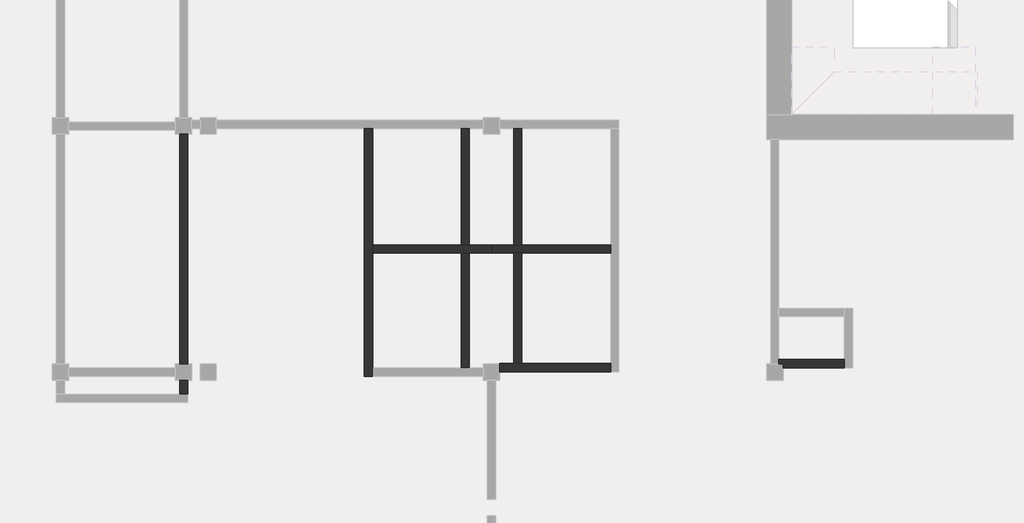
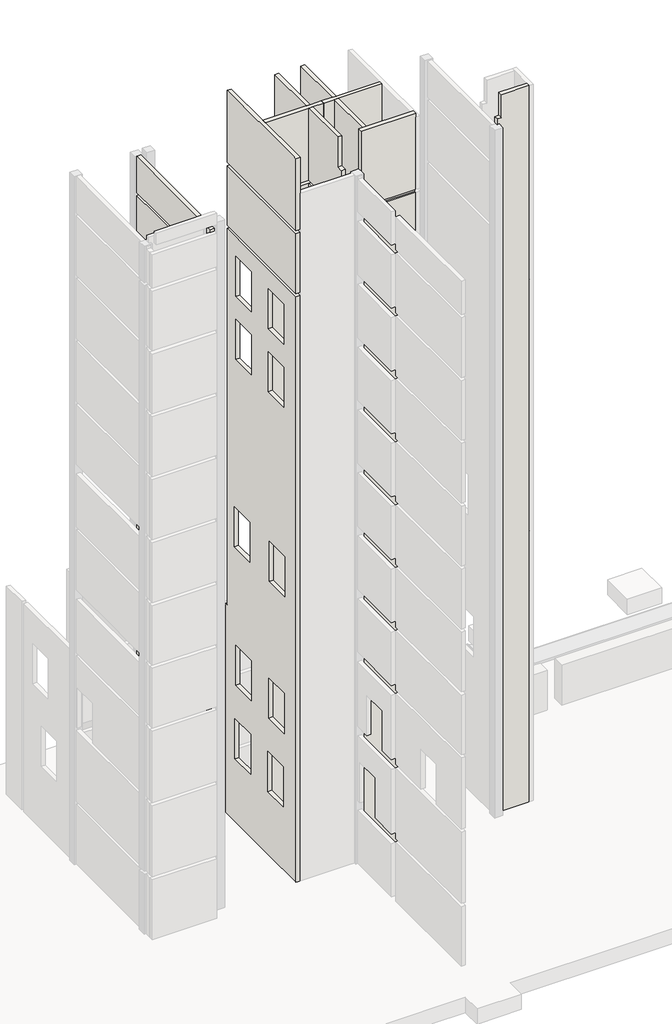
# One storey, part 3 of 9: 8 walls.
"""IFC4 building model written with IfcOpenShell, lengths in millimetres."""

from ifc_helpers import new_model, si_unit, origin, place, context, project, spatial, faceted_brep, element, save

model = new_model("IFC4")

# Units and contexts
model_context = context("Model", 3, world=origin())
ifc_project = project(units=[si_unit("LENGTHUNIT", "METRE", prefix="MILLI")], contexts=[model_context])

# Site, building, storey
site = spatial("IfcSite", under=ifc_project)
building = spatial("IfcBuilding", under=site)
storey = spatial("IfcBuildingStorey", under=building, Elevation=-3300.0)

# Walls
placement = place(None, origin())
element("IfcWall", 1, at=placement, inside=storey, context=model_context, shape_type="Brep", body=[
    faceted_brep([(610.0112841, 393.1079487, 27600.0), (610.0112841, 393.1079487, 30740.0), (610.0112841, -5206.8920513, 30740.0), (610.0112841, -5206.8920513, 27600.0), (410.0112841, 393.1079487, 27600.0), (410.0112841, -1106.8920513, 27600.0), (410.0112841, -5206.8920513, 27600.0), (410.0112841, -5206.8920513, 30740.0), (410.0112841, -1106.8920513, 30740.0), (410.0112841, 393.1079487, 30740.0), (510.0112841, 393.1079487, 30740.0)], [[[0, 1, 2, 3]], [[4, 5, 6, 7, 8, 9]], [[0, 4, 9, 10, 1]], [[5, 4, 0, 3, 6]], [[9, 8, 7, 2, 1, 10]], [[3, 2, 7, 6]]]),
    faceted_brep([(610.0112841, 393.1079487, 30900.0), (610.0112841, 393.1079487, 32800.0), (610.0112841, -5206.8920513, 32800.0), (610.0112841, -5206.8920513, 30900.0), (410.0112841, 393.1079487, 32800.0), (410.0112841, 393.1079487, 30900.0), (410.0112841, -1106.8920513, 30900.0), (410.0112841, -5206.8920513, 30900.0), (410.0112841, -5206.8920513, 32800.0)], [[[0, 1, 2, 3]], [[4, 5, 6, 7, 8]], [[1, 4, 8, 2]], [[4, 1, 0, 5]], [[6, 5, 0, 3, 7]], [[3, 2, 8, 7]]]),
    faceted_brep([(610.0112841, 393.1079487, 24300.0), (610.0112841, 393.1079487, 27440.0), (610.0112841, -5206.8920513, 27440.0), (610.0112841, -5206.8920513, 24300.0), (410.0112841, -1106.8920513, 27440.0), (410.0112841, 393.1079487, 27440.0), (410.0112841, 393.1079487, 24300.0), (410.0112841, -1106.8920513, 24300.0), (410.0112841, -5206.8920513, 24300.0), (410.0112841, -5206.8920513, 27440.0), (510.0112841, 393.1079487, 27440.0)], [[[0, 1, 2, 3]], [[4, 5, 6, 7, 8, 9]], [[5, 10, 1, 0, 6]], [[5, 4, 9, 2, 1, 10]], [[7, 6, 0, 3, 8]], [[3, 2, 9, 8]]]),
    faceted_brep([(610.0112841, 393.1079487, -3300.0), (610.0112841, 393.1079487, 20840.0), (610.0112841, -5206.8920513, 20840.0), (610.0112841, -5206.8920513, -3300.0), (610.0112841, 293.1079487, 11100.0), (610.0112841, -1006.8920513, 11100.0), (610.0112841, -1006.8920513, 13200.0), (610.0112841, 293.1079487, 13200.0), (610.0112841, 293.1079487, 3900.0), (610.0112841, -1006.8920513, 3900.0), (610.0112841, -1006.8920513, 6000.0), (610.0112841, 293.1079487, 6000.0), (610.0112841, 293.1079487, 0.0), (610.0112841, -1006.8920513, 0.0), (610.0112841, -1006.8920513, 2100.0), (610.0112841, 293.1079487, 2100.0), (410.0112841, 393.1079487, 20840.0), (410.0112841, 393.1079487, -3300.0), (410.0112841, -5206.8920513, -3300.0), (410.0112841, -5206.8920513, 20840.0), (410.0112841, -1106.8920513, 20840.0), (410.0112841, -1006.8920513, 11100.0), (410.0112841, 293.1079487, 11100.0), (410.0112841, 293.1079487, 13200.0), (410.0112841, -1006.8920513, 13200.0), (410.0112841, -1006.8920513, 3900.0), (410.0112841, 293.1079487, 3900.0), (410.0112841, 293.1079487, 6000.0), (410.0112841, -1006.8920513, 6000.0), (410.0112841, -1006.8920513, 0.0), (410.0112841, 293.1079487, 0.0), (410.0112841, 293.1079487, 2100.0), (410.0112841, -1006.8920513, 2100.0), (510.0112841, 393.1079487, 20840.0)], [[[0, 1, 2, 3], [4, 5, 6, 7], [8, 9, 10, 11], [12, 13, 14, 15]], [[16, 17, 18, 19, 20], [21, 22, 23, 24], [25, 26, 27, 28], [29, 30, 31, 32]], [[17, 0, 3, 18]], [[0, 17, 16, 33, 1]], [[5, 4, 22, 21]], [[6, 5, 21, 24]], [[7, 6, 24, 23]], [[4, 7, 23, 22]], [[26, 25, 9, 8]], [[27, 26, 8, 11]], [[28, 27, 11, 10]], [[25, 28, 10, 9]], [[30, 29, 13, 12]], [[31, 30, 12, 15]], [[32, 31, 15, 14]], [[29, 32, 14, 13]], [[16, 20, 19, 2, 1, 33]], [[3, 2, 19, 18]]]),
    faceted_brep([(610.0112841, 393.1079487, 21000.0), (610.0112841, 393.1079487, 24140.0), (610.0112841, -5206.8920513, 24140.0), (610.0112841, -5206.8920513, 21000.0), (410.0112841, -1106.8920513, 24140.0), (410.0112841, 393.1079487, 24140.0), (410.0112841, 393.1079487, 21000.0), (410.0112841, -1106.8920513, 21000.0), (410.0112841, -5206.8920513, 21000.0), (410.0112841, -5206.8920513, 24140.0), (510.0112841, 393.1079487, 24140.0)], [[[0, 1, 2, 3]], [[4, 5, 6, 7, 8, 9]], [[5, 10, 1, 0, 6]], [[5, 4, 9, 2, 1, 10]], [[7, 6, 0, 3, 8]], [[3, 2, 9, 8]]]),
    faceted_brep([(610.0112841, -5946.8920513, 32800.0), (610.0112841, -5946.8920513, 30900.0), (610.0112841, -5606.8920513, 30900.0), (610.0112841, -5606.8920513, 32800.0), (410.0112841, -5946.8920513, 30900.0), (410.0112841, -5946.8920513, 32800.0), (410.0112841, -5606.8920513, 32800.0), (410.0112841, -5606.8920513, 30900.0)], [[[0, 1, 2, 3]], [[4, 5, 6, 7]], [[5, 0, 3, 6]], [[1, 4, 7, 2]], [[0, 5, 4, 1]], [[3, 2, 7, 6]]]),
    faceted_brep([(610.0112841, -5946.8920513, 20840.0), (610.0112841, -5946.8920513, 17700.0), (610.0112841, -5946.8920513, 17540.0), (610.0112841, -5946.8920513, 14400.0), (610.0112841, -5946.8920513, 14240.0), (610.0112841, -5946.8920513, 11100.0), (610.0112841, -5946.8920513, 10940.0), (610.0112841, -5946.8920513, 7800.0), (610.0112841, -5946.8920513, 7640.0), (610.0112841, -5946.8920513, 3900.0), (610.0112841, -5946.8920513, 3740.0), (610.0112841, -5946.8920513, 0.0), (610.0112841, -5946.8920513, -160.0), (610.0112841, -5946.8920513, -3300.0), (610.0112841, -5606.8920513, -3300.0), (610.0112841, -5606.8920513, 20840.0), (410.0112841, -5946.8920513, -3300.0), (410.0112841, -5946.8920513, 20840.0), (410.0112841, -5606.8920513, 20840.0), (410.0112841, -5606.8920513, -3300.0)], [[[0, 1, 2, 3, 4, 5, 6, 7, 8, 9, 10, 11, 12, 13, 14, 15]], [[16, 17, 18, 19]], [[13, 16, 19, 14]], [[17, 0, 15, 18]], [[16, 13, 12, 11, 10, 9, 8, 7, 6, 5, 4, 3, 2, 1, 0, 17]], [[15, 14, 19, 18]]]),
    faceted_brep([(610.0112841, -5946.8920513, 27440.0), (610.0112841, -5946.8920513, 24300.0), (610.0112841, -5606.8920513, 24300.0), (610.0112841, -5606.8920513, 27440.0), (410.0112841, -5946.8920513, 24300.0), (410.0112841, -5946.8920513, 27440.0), (410.0112841, -5606.8920513, 27440.0), (410.0112841, -5606.8920513, 24300.0)], [[[0, 1, 2, 3]], [[4, 5, 6, 7]], [[5, 0, 3, 6]], [[1, 4, 7, 2]], [[0, 5, 4, 1]], [[3, 2, 7, 6]]]),
    faceted_brep([(610.0112841, -5946.8920513, 30740.0), (610.0112841, -5946.8920513, 27600.0), (610.0112841, -5606.8920513, 27600.0), (610.0112841, -5606.8920513, 30740.0), (410.0112841, -5946.8920513, 27600.0), (410.0112841, -5946.8920513, 30740.0), (410.0112841, -5606.8920513, 30740.0), (410.0112841, -5606.8920513, 27600.0)], [[[0, 1, 2, 3]], [[4, 5, 6, 7]], [[1, 4, 7, 2]], [[5, 0, 3, 6]], [[4, 1, 0, 5]], [[3, 2, 7, 6]]]),
    faceted_brep([(610.0112841, -5946.8920513, 24140.0), (610.0112841, -5946.8920513, 21000.0), (610.0112841, -5606.8920513, 21000.0), (610.0112841, -5606.8920513, 24140.0), (410.0112841, -5946.8920513, 21000.0), (410.0112841, -5946.8920513, 24140.0), (410.0112841, -5606.8920513, 24140.0), (410.0112841, -5606.8920513, 21000.0)], [[[0, 1, 2, 3]], [[4, 5, 6, 7]], [[5, 0, 3, 6]], [[1, 4, 7, 2]], [[0, 5, 4, 1]], [[3, 2, 7, 6]]]),
])
element("IfcWall", 2, at=placement, inside=storey, context=model_context, shape_type="Brep", body=[
    faceted_brep([(5110.0112841, -5506.8920513, -3300.0), (5110.0112841, -5306.8920513, -3300.0), (5110.0112841, -2506.8920513, -3300.0), (5110.0112841, -2306.8920513, -3300.0), (5110.0112841, 533.1079487, -3300.0), (5110.0112841, 533.1079487, 7689.8077786), (5110.0112841, 393.1079487, 7689.8077786), (5110.0112841, 393.1079487, 27440.0), (5110.0112841, 393.1079487, 27600.0), (5110.0112841, 393.1079487, 30740.0), (5110.0112841, 393.1079487, 30900.0), (5110.0112841, 393.1079487, 34680.0), (5110.0112841, -2306.8920513, 34680.0), (5110.0112841, -2506.8920513, 34680.0), (5110.0112841, -4996.8920513, 34680.0), (5110.0112841, -5506.8920513, 34680.0), (5110.0112841, -5506.8920513, 33100.0), (5110.0112841, -5506.8920513, 32800.0), (5110.0112841, -5506.8920513, 30900.0), (5110.0112841, -5306.8920513, 30900.0), (5110.0112841, -5306.8920513, 30740.0), (5110.0112841, -5506.8920513, 30740.0), (5110.0112841, -5506.8920513, 27600.0), (5110.0112841, -5306.8920513, 27600.0), (5110.0112841, -5306.8920513, 27440.0), (5110.0112841, -5506.8920513, 27440.0), (5110.0112841, -1551.6820699, 13200.0), (5110.0112841, -211.6785041, 13200.0), (5110.0112841, -211.6785041, 11100.0), (5110.0112841, -1551.6820699, 11100.0), (5110.0112841, -4551.6820699, 13200.0), (5110.0112841, -3211.6785041, 13200.0), (5110.0112841, -3211.6785041, 11100.0), (5110.0112841, -4551.6820699, 11100.0), (5110.0112841, -1656.6820699, 23100.0), (5110.0112841, -316.6785041, 23100.0), (5110.0112841, -316.6785041, 21000.0), (5110.0112841, -1656.6820699, 21000.0), (5110.0112841, -4446.6820699, 23100.0), (5110.0112841, -3106.6785041, 23100.0), (5110.0112841, -3106.6785041, 21000.0), (5110.0112841, -4446.6820699, 21000.0), (5110.0112841, -1656.6820699, 6000.0), (5110.0112841, -316.6785041, 6000.0), (5110.0112841, -316.6785041, 3900.0), (5110.0112841, -1656.6820699, 3900.0), (5110.0112841, -4497.1055986, 6000.0), (5110.0112841, -3157.1020328, 6000.0), (5110.0112841, -3157.1020328, 3900.0), (5110.0112841, -4497.1055986, 3900.0), (5110.0112841, -1656.6820699, 26400.0), (5110.0112841, -316.6785041, 26400.0), (5110.0112841, -316.6785041, 24300.0), (5110.0112841, -1656.6820699, 24300.0), (5110.0112841, -4446.6820699, 26400.0), (5110.0112841, -3106.6785041, 26400.0), (5110.0112841, -3106.6785041, 24300.0), (5110.0112841, -4446.6820699, 24300.0), (5110.0112841, -1601.6820699, 2100.0), (5110.0112841, -261.6785041, 2100.0), (5110.0112841, -261.6785041, 0.0), (5110.0112841, -1601.6820699, 0.0), (5110.0112841, -4424.1820699, 2100.0), (5110.0112841, -3084.1785041, 2100.0), (5110.0112841, -3084.1785041, 0.0), (5110.0112841, -4424.1820699, 0.0), (5110.0112841, -2306.8920513, 30740.0), (5110.0112841, -2506.8920513, 30740.0), (5110.0112841, -2506.8920513, 30900.0), (5110.0112841, -2306.8920513, 30900.0), (5110.0112841, -2306.8920513, 27440.0), (5110.0112841, -2506.8920513, 27440.0), (5110.0112841, -2506.8920513, 27600.0), (5110.0112841, -2306.8920513, 27600.0), (4910.0112841, 533.1079487, -3300.0), (4910.0112841, -5506.8920513, -3300.0), (4910.0112841, -5506.8920513, 27440.0), (4910.0112841, 393.1079487, 27440.0), (4910.0112841, 393.1079487, 7689.8077786), (4910.0112841, 533.1079487, 7689.8077786), (4910.0112841, -211.6785041, 13200.0), (4910.0112841, -1551.6820699, 13200.0), (4910.0112841, -1551.6820699, 11100.0), (4910.0112841, -211.6785041, 11100.0), (4910.0112841, -3211.6785041, 13200.0), (4910.0112841, -4551.6820699, 13200.0), (4910.0112841, -4551.6820699, 11100.0), (4910.0112841, -3211.6785041, 11100.0), (4910.0112841, -316.6785041, 23100.0), (4910.0112841, -1656.6820699, 23100.0), (4910.0112841, -1656.6820699, 21000.0), (4910.0112841, -316.6785041, 21000.0), (4910.0112841, -3106.6785041, 23100.0), (4910.0112841, -4446.6820699, 23100.0), (4910.0112841, -4446.6820699, 21000.0), (4910.0112841, -3106.6785041, 21000.0), (4910.0112841, -316.6785041, 6000.0), (4910.0112841, -1656.6820699, 6000.0), (4910.0112841, -1656.6820699, 3900.0), (4910.0112841, -316.6785041, 3900.0), (4910.0112841, -3157.1020328, 6000.0), (4910.0112841, -4497.1055986, 6000.0), (4910.0112841, -4497.1055986, 3900.0), (4910.0112841, -3157.1020328, 3900.0), (4910.0112841, -316.6785041, 26400.0), (4910.0112841, -1656.6820699, 26400.0), (4910.0112841, -1656.6820699, 24300.0), (4910.0112841, -316.6785041, 24300.0), (4910.0112841, -3106.6785041, 26400.0), (4910.0112841, -4446.6820699, 26400.0), (4910.0112841, -4446.6820699, 24300.0), (4910.0112841, -3106.6785041, 24300.0), (4910.0112841, -261.6785041, 2100.0), (4910.0112841, -1601.6820699, 2100.0), (4910.0112841, -1601.6820699, 0.0), (4910.0112841, -261.6785041, 0.0), (4910.0112841, -3084.1785041, 2100.0), (4910.0112841, -4424.1820699, 2100.0), (4910.0112841, -4424.1820699, 0.0), (4910.0112841, -3084.1785041, 0.0), (4910.0112841, -5506.8920513, 30740.0), (4910.0112841, 393.1079487, 30740.0), (4910.0112841, 393.1079487, 27600.0), (4910.0112841, -5506.8920513, 27600.0), (4910.0112841, -5506.8920513, 34680.0), (4910.0112841, -5251.8920513, 34680.0), (4910.0112841, -4996.8920513, 34680.0), (4910.0112841, 393.1079487, 34680.0), (4910.0112841, 393.1079487, 30900.0), (4910.0112841, -5506.8920513, 30900.0), (4910.0112841, -5506.8920513, 33100.0), (5106.2824705, -5306.8920513, 30740.0), (5106.2824705, -2506.8920513, 30740.0), (5106.2824705, -2306.8920513, 30740.0), (5106.2824705, 393.1079487, 30740.0), (5106.2824705, -2506.8920513, 30900.0), (5106.2824705, -5306.8920513, 30900.0), (5106.2824705, 393.1079487, 30900.0), (5106.2824705, -2306.8920513, 30900.0), (5106.2824705, -5306.8920513, 27440.0), (5106.2824705, -2506.8920513, 27440.0), (5106.2824705, -2306.8920513, 27440.0), (5106.2824705, 393.1079487, 27440.0), (5106.2824705, -2506.8920513, 27600.0), (5106.2824705, -5306.8920513, 27600.0), (5106.2824705, 393.1079487, 27600.0), (5106.2824705, -2306.8920513, 27600.0)], [[[0, 1, 2, 3, 4, 5, 6, 7, 8, 9, 10, 11, 12, 13, 14, 15, 16, 17, 18, 19, 20, 21, 22, 23, 24, 25], [26, 27, 28, 29], [30, 31, 32, 33], [34, 35, 36, 37], [38, 39, 40, 41], [42, 43, 44, 45], [46, 47, 48, 49], [50, 51, 52, 53], [54, 55, 56, 57], [58, 59, 60, 61], [62, 63, 64, 65], [66, 67, 68, 69], [70, 71, 72, 73]], [[74, 75, 76, 77, 78, 79], [80, 81, 82, 83], [84, 85, 86, 87], [88, 89, 90, 91], [92, 93, 94, 95], [96, 97, 98, 99], [100, 101, 102, 103], [104, 105, 106, 107], [108, 109, 110, 111], [112, 113, 114, 115], [116, 117, 118, 119]], [[120, 121, 122, 123]], [[124, 125, 126, 127, 128, 129, 130]], [[4, 3, 2, 1, 0, 75, 74]], [[15, 14, 13, 12, 11, 127, 126, 125, 124]], [[27, 26, 81, 80]], [[28, 27, 80, 83]], [[29, 28, 83, 82]], [[26, 29, 82, 81]], [[31, 30, 85, 84]], [[32, 31, 84, 87]], [[33, 32, 87, 86]], [[30, 33, 86, 85]], [[6, 5, 79, 78]], [[4, 74, 79, 5]], [[35, 34, 89, 88]], [[36, 35, 88, 91]], [[37, 36, 91, 90]], [[34, 37, 90, 89]], [[39, 38, 93, 92]], [[40, 39, 92, 95]], [[41, 40, 95, 94]], [[38, 41, 94, 93]], [[43, 42, 97, 96]], [[44, 43, 96, 99]], [[45, 44, 99, 98]], [[42, 45, 98, 97]], [[101, 100, 47, 46]], [[102, 101, 46, 49]], [[103, 102, 49, 48]], [[100, 103, 48, 47]], [[51, 50, 105, 104]], [[52, 51, 104, 107]], [[53, 52, 107, 106]], [[50, 53, 106, 105]], [[55, 54, 109, 108]], [[56, 55, 108, 111]], [[57, 56, 111, 110]], [[54, 57, 110, 109]], [[59, 58, 113, 112]], [[60, 59, 112, 115]], [[61, 60, 115, 114]], [[58, 61, 114, 113]], [[63, 62, 117, 116]], [[64, 63, 116, 119]], [[65, 64, 119, 118]], [[62, 65, 118, 117]], [[75, 0, 25, 76]], [[21, 120, 123, 22]], [[15, 124, 130, 129, 18, 17, 16]], [[131, 132, 67, 66, 133, 134, 121, 120, 21, 20]], [[135, 136, 19, 18, 129, 128, 137, 138, 69, 68]], [[132, 135, 68, 67]], [[136, 131, 20, 19]], [[138, 133, 66, 69]], [[132, 131, 136, 135]], [[134, 133, 138, 137]], [[139, 140, 71, 70, 141, 142, 77, 76, 25, 24]], [[143, 144, 23, 22, 123, 122, 145, 146, 73, 72]], [[140, 143, 72, 71]], [[144, 139, 24, 23]], [[146, 141, 70, 73]], [[140, 139, 144, 143]], [[142, 141, 146, 145]], [[127, 11, 10, 9, 8, 7, 6, 78, 77, 142, 145, 122, 121, 134, 137, 128]]]),
])
element("IfcWall", 3, at=placement, inside=storey, context=model_context, shape_type="Brep", body=[
    faceted_brep([(5110.0112841, -2506.8920513, -3300.0), (7270.0112841, -2506.8920513, -3300.0), (7470.0112841, -2506.8920513, -3300.0), (8010.0112841, -2506.8920513, -3300.0), (8010.0112841, -2506.8920513, 30740.0), (7466.2824705, -2506.8920513, 30740.0), (7270.0112841, -2506.8920513, 30740.0), (5110.0112841, -2506.8920513, 30740.0), (8010.0112841, -2306.8920513, -3300.0), (7470.0112841, -2306.8920513, -3300.0), (7270.0112841, -2306.8920513, -3300.0), (5110.0112841, -2306.8920513, -3300.0), (5110.0112841, -2306.8920513, 30740.0), (7270.0112841, -2306.8920513, 30740.0), (7466.2824705, -2306.8920513, 30740.0), (8010.0112841, -2306.8920513, 30740.0)], [[[0, 1, 2, 3, 4, 5, 6, 7]], [[8, 9, 10, 11, 12, 13, 14, 15]], [[3, 2, 1, 0, 11, 10, 9, 8]], [[3, 8, 15, 4]], [[11, 0, 7, 12]], [[5, 4, 15, 14, 13, 12, 7, 6]]]),
    faceted_brep([(8010.0112841, -2506.8920513, 34680.0), (7470.0112841, -2506.8920513, 34680.0), (7466.2824705, -2506.8920513, 34680.0), (7270.0112841, -2506.8920513, 34680.0), (7266.2824705, -2506.8920513, 34680.0), (5110.0112841, -2506.8920513, 34680.0), (5110.0112841, -2506.8920513, 30900.0), (7270.0112841, -2506.8920513, 30900.0), (7466.2824705, -2506.8920513, 30900.0), (8010.0112841, -2506.8920513, 30900.0), (5110.0112841, -2306.8920513, 34680.0), (7266.2824705, -2306.8920513, 34680.0), (7270.0112841, -2306.8920513, 34680.0), (7466.2824705, -2306.8920513, 34680.0), (7470.0112841, -2306.8920513, 34680.0), (8010.0112841, -2306.8920513, 34680.0), (8010.0112841, -2306.8920513, 30900.0), (7466.2824705, -2306.8920513, 30900.0), (7270.0112841, -2306.8920513, 30900.0), (5110.0112841, -2306.8920513, 30900.0)], [[[0, 1, 2, 3, 4, 5, 6, 7, 8, 9]], [[10, 11, 12, 13, 14, 15, 16, 17, 18, 19]], [[15, 0, 9, 16]], [[5, 10, 19, 6]], [[2, 1, 0, 15, 14, 13, 12, 11, 10, 5, 4, 3]], [[9, 8, 7, 6, 19, 18, 17, 16]]]),
])
element("IfcWall", 4, at=placement, inside=storey, context=model_context, shape_type="Brep", body=[
    faceted_brep([(8210.0112841, -5396.8920513, -3300.0), (10910.0112841, -5396.8920513, -3300.0), (10910.0112841, -5396.8920513, 10940.0), (8210.0112841, -5396.8920513, 10940.0), (10910.0112841, -5396.8920513, 34900.0), (8210.0112841, -5396.8920513, 34900.0), (8210.0112841, -5396.8920513, 30900.0), (10910.0112841, -5396.8920513, 30900.0), (10910.0112841, -5396.8920513, 34680.0), (10910.0112841, -5396.8920513, 30740.0), (8210.0112841, -5396.8920513, 30740.0), (8210.0112841, -5396.8920513, 27600.0), (10910.0112841, -5396.8920513, 27600.0), (10910.0112841, -5396.8920513, 27440.0), (8210.0112841, -5396.8920513, 27440.0), (8210.0112841, -5396.8920513, 24300.0), (10910.0112841, -5396.8920513, 24300.0), (10910.0112841, -5396.8920513, 24140.0), (8210.0112841, -5396.8920513, 24140.0), (8210.0112841, -5396.8920513, 21000.0), (10910.0112841, -5396.8920513, 21000.0), (10910.0112841, -5396.8920513, 20840.0), (8210.0112841, -5396.8920513, 20840.0), (8210.0112841, -5396.8920513, 17700.0), (10910.0112841, -5396.8920513, 17700.0), (10910.0112841, -5396.8920513, 17540.0), (8210.0112841, -5396.8920513, 17540.0), (8210.0112841, -5396.8920513, 14400.0), (10910.0112841, -5396.8920513, 14400.0), (10910.0112841, -5396.8920513, 14240.0), (8210.0112841, -5396.8920513, 14240.0), (8210.0112841, -5396.8920513, 11100.0), (10910.0112841, -5396.8920513, 11100.0), (10910.0112841, -5196.8920513, -3300.0), (8750.0112841, -5196.8920513, -3300.0), (8550.0112841, -5196.8920513, -3300.0), (8210.0112841, -5196.8920513, -3300.0), (8210.0112841, -5196.8920513, 34900.0), (10910.0112841, -5196.8920513, 34900.0), (10910.0112841, -5196.8920513, 30900.0), (10910.0112841, -5196.8920513, 30740.0), (10910.0112841, -5196.8920513, 27600.0), (10910.0112841, -5196.8920513, 27440.0), (10910.0112841, -5196.8920513, 24300.0), (10910.0112841, -5196.8920513, 24140.0), (10910.0112841, -5196.8920513, 21000.0), (10910.0112841, -5196.8920513, 20840.0), (10910.0112841, -5196.8920513, 17700.0), (10910.0112841, -5196.8920513, 17540.0), (10910.0112841, -5196.8920513, 14400.0), (10910.0112841, -5196.8920513, 14240.0), (10910.0112841, -5196.8920513, 11100.0), (10910.0112841, -5196.8920513, 10940.0), (8550.0112841, -5196.8920513, 24140.0), (8746.2824705, -5196.8920513, 24140.0), (8746.2824705, -5196.8920513, 24300.0), (8550.0112841, -5196.8920513, 24300.0), (8550.0112841, -5196.8920513, 20840.0), (8746.2824705, -5196.8920513, 20840.0), (8746.2824705, -5196.8920513, 21000.0), (8550.0112841, -5196.8920513, 21000.0), (8550.0112841, -5196.8920513, 17540.0), (8746.2824705, -5196.8920513, 17540.0), (8746.2824705, -5196.8920513, 17700.0), (8550.0112841, -5196.8920513, 17700.0), (8550.0112841, -5196.8920513, 14240.0), (8746.2824705, -5196.8920513, 14240.0), (8746.2824705, -5196.8920513, 14400.0), (8550.0112841, -5196.8920513, 14400.0), (8746.2824705, -5196.8920513, 11100.0), (8550.0112841, -5196.8920513, 11100.0), (8550.0112841, -5196.8920513, 10940.0), (8746.2824705, -5196.8920513, 10940.0), (8550.0112841, -5196.8920513, 30740.0), (8746.2824705, -5196.8920513, 30740.0), (8746.2824705, -5196.8920513, 30900.0), (8550.0112841, -5196.8920513, 30900.0), (8550.0112841, -5196.8920513, 27440.0), (8746.2824705, -5196.8920513, 27440.0), (8746.2824705, -5196.8920513, 27600.0), (8550.0112841, -5196.8920513, 27600.0), (8210.0112841, -5306.8920513, 10940.0), (8210.0112841, -5306.8920513, 11100.0), (8210.0112841, -5306.8920513, 14240.0), (8210.0112841, -5306.8920513, 14400.0), (8210.0112841, -5306.8920513, 17540.0), (8210.0112841, -5306.8920513, 17700.0), (8210.0112841, -5306.8920513, 20840.0), (8210.0112841, -5306.8920513, 21000.0), (8210.0112841, -5306.8920513, 24140.0), (8210.0112841, -5306.8920513, 24300.0), (8210.0112841, -5306.8920513, 27440.0), (8210.0112841, -5306.8920513, 27600.0), (8210.0112841, -5306.8920513, 30740.0), (8210.0112841, -5306.8920513, 30900.0), (10910.0112841, -5306.8920513, 30740.0), (8746.2824705, -5306.8920513, 30740.0), (8550.0112841, -5306.8920513, 30740.0), (8550.0112841, -5306.8920513, 30900.0), (8746.2824705, -5306.8920513, 30900.0), (10910.0112841, -5306.8920513, 30900.0), (10910.0112841, -5306.8920513, 27440.0), (8746.2824705, -5306.8920513, 27440.0), (8550.0112841, -5306.8920513, 27440.0), (8550.0112841, -5306.8920513, 27600.0), (8746.2824705, -5306.8920513, 27600.0), (10910.0112841, -5306.8920513, 27600.0), (10910.0112841, -5306.8920513, 24140.0), (8746.2824705, -5306.8920513, 24140.0), (8550.0112841, -5306.8920513, 24140.0), (8550.0112841, -5306.8920513, 24300.0), (8746.2824705, -5306.8920513, 24300.0), (10910.0112841, -5306.8920513, 24300.0), (10910.0112841, -5306.8920513, 20840.0), (8746.2824705, -5306.8920513, 20840.0), (8550.0112841, -5306.8920513, 20840.0), (8550.0112841, -5306.8920513, 21000.0), (8746.2824705, -5306.8920513, 21000.0), (10910.0112841, -5306.8920513, 21000.0), (10910.0112841, -5306.8920513, 17540.0), (8746.2824705, -5306.8920513, 17540.0), (8550.0112841, -5306.8920513, 17540.0), (8550.0112841, -5306.8920513, 17700.0), (8746.2824705, -5306.8920513, 17700.0), (10910.0112841, -5306.8920513, 17700.0), (10910.0112841, -5306.8920513, 14240.0), (8746.2824705, -5306.8920513, 14240.0), (8550.0112841, -5306.8920513, 14240.0), (8550.0112841, -5306.8920513, 14400.0), (8746.2824705, -5306.8920513, 14400.0), (10910.0112841, -5306.8920513, 14400.0), (8746.2824705, -5306.8920513, 11100.0), (10910.0112841, -5306.8920513, 11100.0), (8550.0112841, -5306.8920513, 11100.0), (10910.0112841, -5306.8920513, 10940.0), (8746.2824705, -5306.8920513, 10940.0), (8550.0112841, -5306.8920513, 10940.0)], [[[0, 1, 2, 3]], [[4, 5, 6, 7, 8]], [[9, 10, 11, 12]], [[13, 14, 15, 16]], [[17, 18, 19, 20]], [[21, 22, 23, 24]], [[25, 26, 27, 28]], [[29, 30, 31, 32]], [[33, 34, 35, 36, 37, 38, 39, 40, 41, 42, 43, 44, 45, 46, 47, 48, 49, 50, 51, 52], [53, 54, 55, 56], [57, 58, 59, 60], [61, 62, 63, 64], [65, 66, 67, 68], [69, 70, 71, 72], [73, 74, 75, 76], [77, 78, 79, 80]], [[1, 0, 36, 35, 34, 33]], [[5, 4, 38, 37]], [[37, 36, 0, 3, 81, 82, 31, 30, 83, 84, 27, 26, 85, 86, 23, 22, 87, 88, 19, 18, 89, 90, 15, 14, 91, 92, 11, 10, 93, 94, 6, 5]], [[10, 9, 95, 96, 74, 73, 97, 93]], [[7, 6, 94, 98, 76, 75, 99, 100]], [[14, 13, 101, 102, 78, 77, 103, 91]], [[12, 11, 92, 104, 80, 79, 105, 106]], [[18, 17, 107, 108, 54, 53, 109, 89]], [[16, 15, 90, 110, 56, 55, 111, 112]], [[22, 21, 113, 114, 58, 57, 115, 87]], [[20, 19, 88, 116, 60, 59, 117, 118]], [[26, 25, 119, 120, 62, 61, 121, 85]], [[24, 23, 86, 122, 64, 63, 123, 124]], [[30, 29, 125, 126, 66, 65, 127, 83]], [[28, 27, 84, 128, 68, 67, 129, 130]], [[131, 132, 32, 31, 82, 133, 70, 69]], [[134, 135, 72, 71, 136, 81, 3, 2]], [[1, 33, 52, 51, 50, 49, 48, 47, 46, 45, 44, 43, 42, 41, 40, 39, 38, 4, 8, 7, 100, 95, 9, 12, 106, 101, 13, 16, 112, 107, 17, 20, 118, 113, 21, 24, 124, 119, 25, 28, 130, 125, 29, 32, 132, 134, 2]], [[96, 95, 100, 99]], [[97, 98, 94, 93]], [[98, 97, 73, 76]], [[96, 99, 75, 74]], [[102, 101, 106, 105]], [[103, 104, 92, 91]], [[104, 103, 77, 80]], [[102, 105, 79, 78]], [[108, 107, 112, 111]], [[109, 110, 90, 89]], [[110, 109, 53, 56]], [[108, 111, 55, 54]], [[114, 113, 118, 117]], [[115, 116, 88, 87]], [[116, 115, 57, 60]], [[114, 117, 59, 58]], [[120, 119, 124, 123]], [[121, 122, 86, 85]], [[122, 121, 61, 64]], [[120, 123, 63, 62]], [[126, 125, 130, 129]], [[127, 128, 84, 83]], [[128, 127, 65, 68]], [[126, 129, 67, 66]], [[135, 134, 132, 131]], [[136, 133, 82, 81]], [[133, 136, 71, 70]], [[135, 131, 69, 72]]]),
])
element("IfcWall", 5, at=placement, inside=storey, context=model_context, shape_type="Brep", body=[
    faceted_brep([(10910.0112841, -2306.8920513, -3300.0), (8750.0112841, -2306.8920513, -3300.0), (8550.0112841, -2306.8920513, -3300.0), (8010.0112841, -2306.8920513, -3300.0), (8010.0112841, -2306.8920513, 30740.0), (8550.0112841, -2306.8920513, 30740.0), (8746.2824705, -2306.8920513, 30740.0), (10910.0112841, -2306.8920513, 30740.0), (8010.0112841, -2506.8920513, -3300.0), (8550.0112841, -2506.8920513, -3300.0), (8750.0112841, -2506.8920513, -3300.0), (10910.0112841, -2506.8920513, -3300.0), (10910.0112841, -2506.8920513, 30740.0), (8746.2824705, -2506.8920513, 30740.0), (8550.0112841, -2506.8920513, 30740.0), (8010.0112841, -2506.8920513, 30740.0)], [[[0, 1, 2, 3, 4, 5, 6, 7]], [[8, 9, 10, 11, 12, 13, 14, 15]], [[3, 2, 1, 0, 11, 10, 9, 8]], [[3, 8, 15, 4]], [[11, 0, 7, 12]], [[5, 4, 15, 14, 13, 12, 7, 6]]]),
    faceted_brep([(8010.0112841, -2306.8920513, 34680.0), (8546.2824705, -2306.8920513, 34680.0), (8550.0112841, -2306.8920513, 34680.0), (8746.2824705, -2306.8920513, 34680.0), (8750.0112841, -2306.8920513, 34680.0), (10906.2824705, -2306.8920513, 34680.0), (10910.0112841, -2306.8920513, 34680.0), (10910.0112841, -2306.8920513, 30900.0), (8746.2824705, -2306.8920513, 30900.0), (8550.0112841, -2306.8920513, 30900.0), (8010.0112841, -2306.8920513, 30900.0), (10910.0112841, -2506.8920513, 34680.0), (10906.2824705, -2506.8920513, 34680.0), (8750.0112841, -2506.8920513, 34680.0), (8746.2824705, -2506.8920513, 34680.0), (8550.0112841, -2506.8920513, 34680.0), (8546.2824705, -2506.8920513, 34680.0), (8010.0112841, -2506.8920513, 34680.0), (8010.0112841, -2506.8920513, 30900.0), (8550.0112841, -2506.8920513, 30900.0), (8746.2824705, -2506.8920513, 30900.0), (10910.0112841, -2506.8920513, 30900.0)], [[[0, 1, 2, 3, 4, 5, 6, 7, 8, 9, 10]], [[11, 12, 13, 14, 15, 16, 17, 18, 19, 20, 21]], [[17, 0, 10, 18]], [[6, 5, 4, 3, 2, 1, 0, 17, 16, 15, 14, 13, 12, 11]], [[6, 11, 21, 7]], [[10, 9, 8, 7, 21, 20, 19, 18]]]),
])
element("IfcWall", 6, at=placement, inside=storey, context=model_context, shape_type="Brep", body=[
    faceted_brep([(7470.0112841, -5306.8920513, -3300.0), (7470.0112841, -2506.8920513, -3300.0), (7470.0112841, -2506.8920513, 27440.0), (7470.0112841, -2506.8920513, 27600.0), (7470.0112841, -2506.8920513, 30740.0), (7470.0112841, -2506.8920513, 30900.0), (7470.0112841, -2506.8920513, 34680.0), (7470.0112841, -4996.8920513, 34680.0), (7470.0112841, -4996.8920513, 33100.0), (7470.0112841, -5306.8920513, 33100.0), (7470.0112841, -5306.8920513, 30900.0), (7470.0112841, -5306.8920513, 30740.0), (7470.0112841, -5306.8920513, 27600.0), (7470.0112841, -5306.8920513, 27440.0), (7270.0112841, -4996.8920513, 34680.0), (7270.0112841, -2506.8920513, 34680.0), (7270.0112841, -2506.8920513, 30900.0), (7270.0112841, -5306.8920513, 30900.0), (7270.0112841, -5306.8920513, 33100.0), (7270.0112841, -4996.8920513, 33100.0), (7270.0112841, -2506.8920513, -3300.0), (7270.0112841, -5306.8920513, -3300.0), (7270.0112841, -5306.8920513, 27440.0), (7270.0112841, -2506.8920513, 27440.0), (7270.0112841, -5306.8920513, 30740.0), (7270.0112841, -2506.8920513, 30740.0), (7270.0112841, -2506.8920513, 27600.0), (7270.0112841, -5306.8920513, 27600.0), (7466.2824705, -4996.8920513, 34680.0), (7466.2824705, -2506.8920513, 27440.0), (7466.2824705, -2506.8920513, 27600.0), (7466.2824705, -2506.8920513, 30740.0), (7466.2824705, -2506.8920513, 30900.0), (7466.2824705, -5306.8920513, 30900.0), (7466.2824705, -5306.8920513, 30740.0), (7466.2824705, -5306.8920513, 27600.0), (7466.2824705, -5306.8920513, 27440.0)], [[[0, 1, 2, 3, 4, 5, 6, 7, 8, 9, 10, 11, 12, 13]], [[14, 15, 16, 17, 18, 19]], [[20, 21, 22, 23]], [[24, 25, 26, 27]], [[1, 0, 21, 20]], [[7, 6, 15, 14, 28]], [[1, 20, 23, 29, 30, 26, 25, 31, 32, 16, 15, 6, 5, 4, 3, 2]], [[19, 18, 9, 8]], [[21, 0, 13, 12, 11, 10, 9, 18, 17, 33, 34, 24, 27, 35, 36, 22]], [[7, 28, 14, 19, 8]], [[34, 31, 25, 24]], [[32, 33, 17, 16]], [[31, 34, 33, 32]], [[36, 29, 23, 22]], [[30, 35, 27, 26]], [[29, 36, 35, 30]]]),
    faceted_brep([(7470.0112841, -2306.8920513, -3300.0), (7470.0112841, 533.1079487, -3300.0), (7470.0112841, 533.1079487, 7689.8077786), (7470.0112841, 393.1079487, 7689.8077786), (7470.0112841, 393.1079487, 27440.0), (7470.0112841, 393.1079487, 27600.0), (7470.0112841, 393.1079487, 30740.0), (7470.0112841, 393.1079487, 30900.0), (7470.0112841, 393.1079487, 34680.0), (7470.0112841, -2306.8920513, 34680.0), (7470.0112841, -2306.8920513, 30900.0), (7470.0112841, -2306.8920513, 30740.0), (7470.0112841, -2306.8920513, 27600.0), (7470.0112841, -2306.8920513, 27440.0), (7270.0112841, -2306.8920513, 34680.0), (7270.0112841, 393.1079487, 34680.0), (7270.0112841, 393.1079487, 30900.0), (7270.0112841, -2306.8920513, 30900.0), (7270.0112841, 533.1079487, -3300.0), (7270.0112841, -2306.8920513, -3300.0), (7270.0112841, -2306.8920513, 27440.0), (7270.0112841, 393.1079487, 27440.0), (7270.0112841, 393.1079487, 7689.8077786), (7270.0112841, 533.1079487, 7689.8077786), (7270.0112841, -2306.8920513, 30740.0), (7270.0112841, 393.1079487, 30740.0), (7270.0112841, 393.1079487, 27600.0), (7270.0112841, -2306.8920513, 27600.0), (7466.2824705, -2306.8920513, 30900.0), (7466.2824705, -2306.8920513, 30740.0), (7466.2824705, -2306.8920513, 27600.0), (7466.2824705, -2306.8920513, 27440.0), (7466.2824705, 393.1079487, 30740.0), (7466.2824705, 393.1079487, 30900.0), (7466.2824705, 393.1079487, 27440.0), (7466.2824705, 393.1079487, 27600.0)], [[[0, 1, 2, 3, 4, 5, 6, 7, 8, 9, 10, 11, 12, 13]], [[14, 15, 16, 17]], [[18, 19, 20, 21, 22, 23]], [[24, 25, 26, 27]], [[1, 0, 19, 18]], [[9, 8, 15, 14]], [[19, 0, 13, 12, 11, 10, 9, 14, 17, 28, 29, 24, 27, 30, 31, 20]], [[3, 2, 23, 22]], [[1, 18, 23, 2]], [[29, 32, 25, 24]], [[33, 28, 17, 16]], [[32, 29, 28, 33]], [[31, 34, 21, 20]], [[35, 30, 27, 26]], [[34, 31, 30, 35]], [[15, 8, 7, 6, 5, 4, 3, 22, 21, 34, 35, 26, 25, 32, 33, 16]]]),
])
element("IfcWall", 7, at=placement, inside=storey, context=model_context, shape_type="Brep", body=[
    faceted_brep([(8750.0112841, -2306.8920513, -3300.0), (8750.0112841, 533.1079487, -3300.0), (8750.0112841, 533.1079487, 7689.8077786), (8750.0112841, 393.1079487, 7689.8077786), (8750.0112841, 393.1079487, 27440.0), (8750.0112841, 393.1079487, 27600.0), (8750.0112841, 393.1079487, 30740.0), (8750.0112841, 393.1079487, 30900.0), (8750.0112841, 393.1079487, 34680.0), (8750.0112841, -2306.8920513, 34680.0), (8750.0112841, -2306.8920513, 30900.0), (8750.0112841, -2306.8920513, 30740.0), (8750.0112841, -2306.8920513, 27600.0), (8750.0112841, -2306.8920513, 27440.0), (8550.0112841, -2306.8920513, 34680.0), (8550.0112841, 393.1079487, 34680.0), (8550.0112841, 393.1079487, 30900.0), (8550.0112841, -2306.8920513, 30900.0), (8550.0112841, 533.1079487, -3300.0), (8550.0112841, -2306.8920513, -3300.0), (8550.0112841, -2306.8920513, 27440.0), (8550.0112841, 393.1079487, 27440.0), (8550.0112841, 393.1079487, 7689.8077786), (8550.0112841, 533.1079487, 7689.8077786), (8550.0112841, -2306.8920513, 30740.0), (8550.0112841, 393.1079487, 30740.0), (8550.0112841, 393.1079487, 27600.0), (8550.0112841, -2306.8920513, 27600.0), (8746.2824705, -2306.8920513, 30900.0), (8746.2824705, -2306.8920513, 30740.0), (8746.2824705, -2306.8920513, 27600.0), (8746.2824705, -2306.8920513, 27440.0), (8746.2824705, 393.1079487, 30740.0), (8746.2824705, 393.1079487, 30900.0), (8746.2824705, 393.1079487, 27440.0), (8746.2824705, 393.1079487, 27600.0)], [[[0, 1, 2, 3, 4, 5, 6, 7, 8, 9, 10, 11, 12, 13]], [[14, 15, 16, 17]], [[18, 19, 20, 21, 22, 23]], [[24, 25, 26, 27]], [[1, 0, 19, 18]], [[9, 8, 15, 14]], [[19, 0, 13, 12, 11, 10, 9, 14, 17, 28, 29, 24, 27, 30, 31, 20]], [[3, 2, 23, 22]], [[1, 18, 23, 2]], [[29, 32, 25, 24]], [[33, 28, 17, 16]], [[32, 29, 28, 33]], [[31, 34, 21, 20]], [[35, 30, 27, 26]], [[34, 31, 30, 35]], [[15, 8, 7, 6, 5, 4, 3, 22, 21, 34, 35, 26, 25, 32, 33, 16]]]),
    faceted_brep([(8750.0112841, -5196.8920513, -3300.0), (8750.0112841, -2506.8920513, -3300.0), (8750.0112841, -2506.8920513, 27440.0), (8750.0112841, -2506.8920513, 27600.0), (8750.0112841, -2506.8920513, 30740.0), (8750.0112841, -2506.8920513, 30900.0), (8750.0112841, -2506.8920513, 34680.0), (8750.0112841, -4996.8920513, 34680.0), (8750.0112841, -4996.8920513, 33100.0), (8750.0112841, -5196.8920513, 33100.0), (8550.0112841, -4996.8920513, 34680.0), (8550.0112841, -2506.8920513, 34680.0), (8550.0112841, -2506.8920513, 30900.0), (8550.0112841, -5196.8920513, 30900.0), (8550.0112841, -5196.8920513, 33100.0), (8550.0112841, -4996.8920513, 33100.0), (8550.0112841, -2506.8920513, -3300.0), (8550.0112841, -5196.8920513, -3300.0), (8550.0112841, -5196.8920513, 27440.0), (8550.0112841, -2506.8920513, 27440.0), (8550.0112841, -5196.8920513, 30740.0), (8550.0112841, -2506.8920513, 30740.0), (8550.0112841, -2506.8920513, 27600.0), (8550.0112841, -5196.8920513, 27600.0), (8746.2824705, -4996.8920513, 34680.0), (8746.2824705, -2506.8920513, 27440.0), (8746.2824705, -2506.8920513, 27600.0), (8746.2824705, -2506.8920513, 30740.0), (8746.2824705, -2506.8920513, 30900.0), (8746.2824705, -5196.8920513, 30900.0), (8746.2824705, -5196.8920513, 30740.0), (8746.2824705, -5196.8920513, 27600.0), (8746.2824705, -5196.8920513, 27440.0)], [[[0, 1, 2, 3, 4, 5, 6, 7, 8, 9]], [[10, 11, 12, 13, 14, 15]], [[16, 17, 18, 19]], [[20, 21, 22, 23]], [[1, 0, 17, 16]], [[7, 6, 11, 10, 24]], [[1, 16, 19, 25, 26, 22, 21, 27, 28, 12, 11, 6, 5, 4, 3, 2]], [[15, 14, 9, 8]], [[17, 0, 9, 14, 13, 29, 30, 20, 23, 31, 32, 18]], [[7, 24, 10, 15, 8]], [[27, 21, 20, 30]], [[12, 28, 29, 13]], [[28, 27, 30, 29]], [[32, 25, 19, 18]], [[26, 31, 23, 22]], [[25, 32, 31, 26]]]),
])
element("IfcWall", 8, at=placement, inside=storey, context=model_context, shape_type="Brep", body=[
    faceted_brep([(16605.0112841, -5296.8920513, 34300.0), (15220.0112841, -5296.8920513, 34300.0), (15220.0112841, -5296.8920513, 33100.0), (15010.0112841, -5296.8920513, 33100.0), (15010.0112841, -5296.8920513, 32800.0), (15110.0112841, -5296.8920513, 32800.0), (15110.0112841, -5296.8920513, -3300.0), (16605.0112841, -5296.8920513, -3300.0), (16605.0112841, -5296.8920513, 3740.0), (16601.2824705, -5296.8920513, 3740.0), (16601.2824705, -5296.8920513, 3900.0), (16605.0112841, -5296.8920513, 3900.0), (16605.0112841, -5296.8920513, 7640.0), (16601.2824705, -5296.8920513, 7640.0), (16601.2824705, -5296.8920513, 7800.0), (16605.0112841, -5296.8920513, 7800.0), (16605.0112841, -5296.8920513, 10940.0), (16601.2824705, -5296.8920513, 10940.0), (16601.2824705, -5296.8920513, 11100.0), (16605.0112841, -5296.8920513, 11100.0), (16605.0112841, -5296.8920513, 14240.0), (16601.2824705, -5296.8920513, 14240.0), (16601.2824705, -5296.8920513, 14400.0), (16605.0112841, -5296.8920513, 14400.0), (16605.0112841, -5296.8920513, 17540.0), (16601.2824705, -5296.8920513, 17540.0), (16601.2824705, -5296.8920513, 17700.0), (16605.0112841, -5296.8920513, 17700.0), (16605.0112841, -5296.8920513, 20840.0), (16601.2824705, -5296.8920513, 20840.0), (16601.2824705, -5296.8920513, 21000.0), (16605.0112841, -5296.8920513, 21000.0), (16605.0112841, -5296.8920513, 24140.0), (16601.2824705, -5296.8920513, 24140.0), (16601.2824705, -5296.8920513, 24300.0), (16605.0112841, -5296.8920513, 24300.0), (16605.0112841, -5296.8920513, 30740.0), (16601.2824705, -5296.8920513, 30740.0), (16601.2824705, -5296.8920513, 30900.0), (16605.0112841, -5296.8920513, 30900.0), (16605.0112841, -5296.8920513, 32652.0), (16601.2824705, -5296.8920513, 32652.0), (16601.2824705, -5296.8920513, 33128.6406088), (16605.0112841, -5296.8920513, 33128.7284144), (16605.0112841, -5096.8920513, -3300.0), (15010.0112841, -5096.8920513, -3300.0), (15010.0112841, -5096.8920513, 33100.0), (15220.0112841, -5096.8920513, 33100.0), (15220.0112841, -5096.8920513, 34300.0), (16605.0112841, -5096.8920513, 34300.0), (16605.0112841, -5096.8920513, 33128.7284144), (16601.2824705, -5096.8920513, 33128.6406088), (16601.2824705, -5096.8920513, 32652.0), (16605.0112841, -5096.8920513, 32652.0), (16605.0112841, -5096.8920513, 30900.0), (16601.2824705, -5096.8920513, 30900.0), (16601.2824705, -5096.8920513, 30740.0), (16605.0112841, -5096.8920513, 30740.0), (16605.0112841, -5096.8920513, 24300.0), (16601.2824705, -5096.8920513, 24300.0), (16601.2824705, -5096.8920513, 24140.0), (16605.0112841, -5096.8920513, 24140.0), (16605.0112841, -5096.8920513, 21000.0), (16601.2824705, -5096.8920513, 21000.0), (16601.2824705, -5096.8920513, 20840.0), (16605.0112841, -5096.8920513, 20840.0), (16605.0112841, -5096.8920513, 17700.0), (16601.2824705, -5096.8920513, 17700.0), (16601.2824705, -5096.8920513, 17540.0), (16605.0112841, -5096.8920513, 17540.0), (16605.0112841, -5096.8920513, 14400.0), (16601.2824705, -5096.8920513, 14400.0), (16601.2824705, -5096.8920513, 14240.0), (16605.0112841, -5096.8920513, 14240.0), (16605.0112841, -5096.8920513, 11100.0), (16601.2824705, -5096.8920513, 11100.0), (16601.2824705, -5096.8920513, 10940.0), (16605.0112841, -5096.8920513, 10940.0), (16605.0112841, -5096.8920513, 7800.0), (16601.2824705, -5096.8920513, 7800.0), (16601.2824705, -5096.8920513, 7640.0), (16605.0112841, -5096.8920513, 7640.0), (16605.0112841, -5096.8920513, 3900.0), (16601.2824705, -5096.8920513, 3900.0), (16601.2824705, -5096.8920513, 3740.0), (16605.0112841, -5096.8920513, 3740.0), (15110.0112841, -5206.8920513, -3300.0), (15010.0112841, -5206.8920513, -3300.0), (15010.0112841, -5206.8920513, 32800.0), (15110.0112841, -5206.8920513, 32800.0), (15110.0112841, -5206.8920513, 3740.0), (15110.0112841, -5206.8920513, 3900.0), (15110.0112841, -5206.8920513, 7640.0), (15110.0112841, -5206.8920513, 7800.0), (15110.0112841, -5206.8920513, 10940.0), (15110.0112841, -5206.8920513, 11100.0), (15110.0112841, -5206.8920513, 14240.0), (15110.0112841, -5206.8920513, 14400.0), (15110.0112841, -5206.8920513, 17540.0), (15110.0112841, -5206.8920513, 17700.0), (15110.0112841, -5206.8920513, 20840.0), (15110.0112841, -5206.8920513, 21000.0), (15110.0112841, -5206.8920513, 24140.0), (15110.0112841, -5206.8920513, 24300.0), (15110.0112841, -5206.8920513, 30740.0), (15110.0112841, -5206.8920513, 30900.0)], [[[0, 1, 2, 3, 4, 5, 6, 7, 8, 9, 10, 11, 12, 13, 14, 15, 16, 17, 18, 19, 20, 21, 22, 23, 24, 25, 26, 27, 28, 29, 30, 31, 32, 33, 34, 35, 36, 37, 38, 39, 40, 41, 42, 43]], [[44, 45, 46, 47, 48, 49, 50, 51, 52, 53, 54, 55, 56, 57, 58, 59, 60, 61, 62, 63, 64, 65, 66, 67, 68, 69, 70, 71, 72, 73, 74, 75, 76, 77, 78, 79, 80, 81, 82, 83, 84, 85]], [[45, 44, 7, 6, 86, 87]], [[1, 0, 49, 48]], [[9, 8, 85, 84]], [[11, 10, 83, 82]], [[17, 16, 77, 76]], [[19, 18, 75, 74]], [[29, 28, 65, 64]], [[31, 30, 63, 62]], [[25, 24, 69, 68]], [[27, 26, 67, 66]], [[37, 36, 57, 56]], [[39, 38, 55, 54]], [[41, 40, 53, 52]], [[33, 32, 61, 60]], [[35, 34, 59, 58]], [[21, 20, 73, 72]], [[23, 22, 71, 70]], [[47, 46, 3, 2]], [[3, 46, 45, 87, 88, 4]], [[2, 1, 48, 47]], [[88, 89, 5, 4]], [[43, 42, 51, 50]], [[15, 14, 79, 78]], [[13, 12, 81, 80]], [[7, 44, 85, 8]], [[49, 0, 43, 50]], [[82, 81, 12, 11]], [[78, 77, 16, 15]], [[66, 65, 28, 27]], [[54, 53, 40, 39]], [[62, 61, 32, 31]], [[58, 57, 36, 35]], [[74, 73, 20, 19]], [[70, 69, 24, 23]], [[9, 84, 83, 10]], [[89, 88, 87, 86, 90, 91, 92, 93, 94, 95, 96, 97, 98, 99, 100, 101, 102, 103, 104, 105]], [[79, 14, 13, 80]], [[17, 76, 75, 18]], [[29, 64, 63, 30]], [[25, 68, 67, 26]], [[37, 56, 55, 38]], [[33, 60, 59, 34]], [[21, 72, 71, 22]], [[89, 105, 104, 103, 102, 101, 100, 99, 98, 97, 96, 95, 94, 93, 92, 91, 90, 86, 6, 5]], [[41, 52, 51, 42]]]),
])

save(model, "model.ifc")
